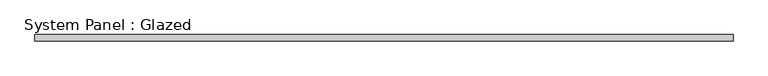
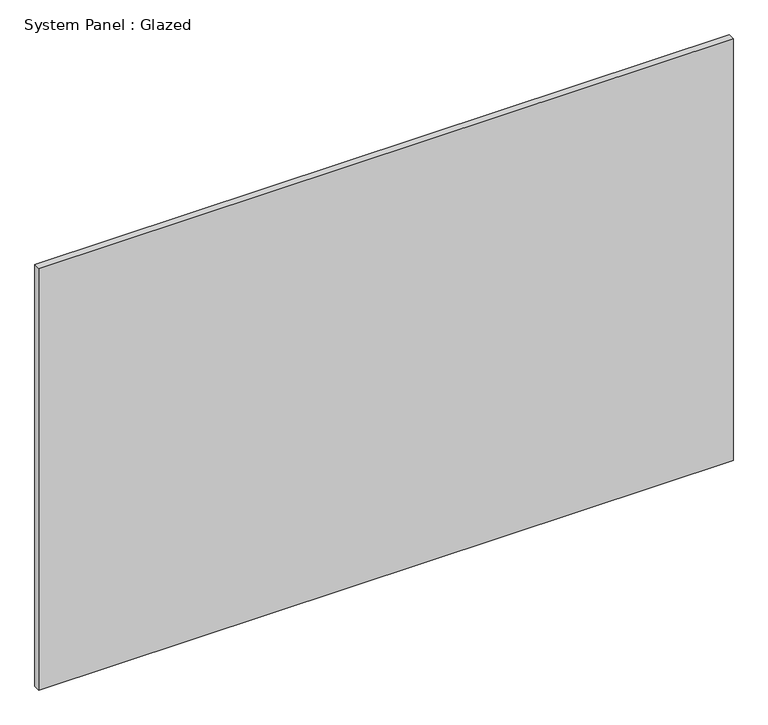
"""IFC4 building model written with IfcOpenShell, lengths in millimetres: plate geometry, System Panel : Glazed."""

from ifc_helpers import new_model, si_unit, origin, origin_with_axes, place, context, project, spatial, polyline, outline, extrude, source, transform, mapped, element, save


def system_panel_glazed_d4b10ee0(model_context):
    return source(origin(), model_context, "Body", "SweptSolid", [
        extrude(outline(polyline([(1349.375, 19.05), (-1349.375, 19.05), (-1349.375, 44.45), (1349.375, 44.45), (1349.375, 19.05)])), origin_with_axes(), (0.0, 0.0, 1.0), 1733.55),
    ])


if __name__ == "__main__":
    model = new_model("IFC4")
    model_context = context("Model", 3, world=origin())
    ifc_project = project(units=[si_unit("LENGTHUNIT", "METRE", prefix="MILLI")], contexts=[model_context])
    site = spatial("IfcSite", under=ifc_project)
    building = spatial("IfcBuilding", under=site)
    placement = place(None, origin())
    system_panel_glazed_shape = system_panel_glazed_d4b10ee0(model_context)
    element("IfcPlate", 1, ObjectType="System Panel : Glazed", at=placement, inside=building, context=model_context, shape_type="MappedRepresentation", body=[
        mapped(system_panel_glazed_shape, transform((0.0, 0.0, 0.0), x_axis=(1.0, 0.0, 0.0), y_axis=(0.0, 1.0, 0.0), z_axis=(0.0, 0.0, 1.0))),
    ])
    save(model, "model.ifc")
